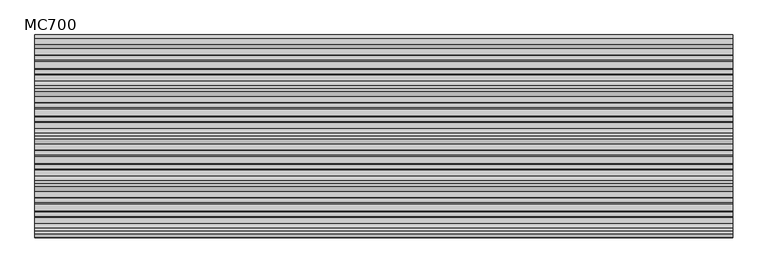
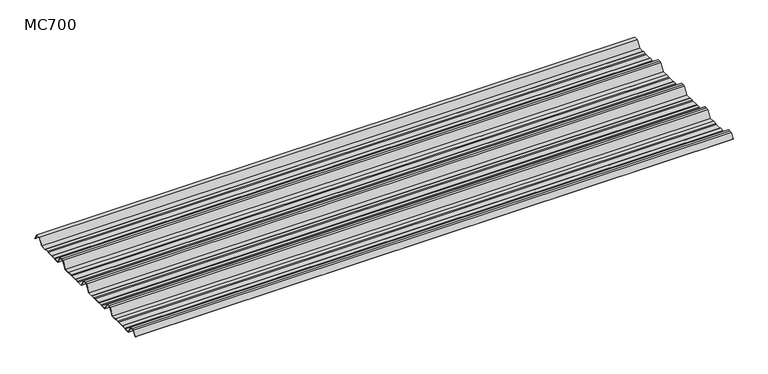
"""IFC4 building model written with IfcOpenShell, lengths in millimetres: beam geometry, MC700."""

from ifc_helpers import new_model, si_unit, point, frame, frame_2d, origin, place, context, project, spatial, polyline, circle_curve, trimmed, segment, composite_curve, outline, extrude, source, transform, mapped, element, save


def mc700_3fb9b117(model_context):
    return source(origin(), model_context, "Body", "SweptSolid", [
        extrude(outline(composite_curve([segment(polyline([(-279.7790109, -25.7896475), (-284.1593286, -23.7494212), (-300.5873198, -23.7494212), (-303.802364, -25.7896475), (-326.5000016, -25.7896475), (-344.5745116, 5.2103525), (-355.0, 5.2103525), (-365.4254884, 5.2103525), (-383.4999984, -25.7896475), (-406.197636, -25.7896475), (-409.4126802, -23.7494212), (-425.8406714, -23.7494212), (-430.2209891, -25.7896475), (-457.2790109, -25.7896475), (-461.6593286, -23.7494212), (-478.0873198, -23.7494212), (-481.302364, -25.7896475), (-504.0000016, -25.7896475), (-522.0745116, 5.2103525), (-532.5, 5.2103525), (-542.9254884, 5.2103525), (-560.9999984, -25.7896475), (-583.697636, -25.7896475), (-586.9126802, -23.7494212), (-603.3406714, -23.7494212), (-607.7209891, -25.7896475), (-634.7790109, -25.7896475), (-639.1593286, -23.7494212), (-655.5873198, -23.7494212), (-658.802364, -25.7896475), (-681.5000016, -25.7896475), (-699.5745116, 5.2103525), (-710.0, 5.2103525), (-720.4254884, 5.2103525), (-732.728303, -15.8904825)]), True, "CONTINUOUS"), segment(trimmed(circle_curve(frame_2d((-733.160246, -15.6386387)), 0.5), [point((-732.728303, -15.8904825))], [point((-733.5921889, -15.3867949))], False, "CARTESIAN"), True, "CONTINUOUS"), segment(polyline([(-733.5921889, -15.3867949), (-721.0, 6.2103525), (-710.0, 6.2103525), (-699.0, 6.2103525), (-680.92549, -24.7896475), (-659.0928785, -24.7896475), (-655.8778343, -22.7494212), (-638.9378651, -22.7494212), (-634.5575473, -24.7896475), (-607.9424527, -24.7896475), (-603.5621349, -22.7494212), (-586.6221657, -22.7494212), (-583.4071215, -24.7896475), (-561.57451, -24.7896475), (-543.5, 6.2103525), (-532.5, 6.2103525), (-521.5, 6.2103525), (-503.42549, -24.7896475), (-481.5928785, -24.7896475), (-478.3778343, -22.7494212), (-461.4378651, -22.7494212), (-457.0575473, -24.7896475), (-430.4424527, -24.7896475), (-426.0621349, -22.7494212), (-409.1221657, -22.7494212), (-405.9071215, -24.7896475), (-384.07451, -24.7896475), (-366.0, 6.2103525), (-355.0, 6.2103525), (-344.0, 6.2103525), (-325.92549, -24.7896475), (-304.0928785, -24.7896475), (-300.8778343, -22.7494212), (-283.9378651, -22.7494212), (-279.5575473, -24.7896475), (-252.9424527, -24.7896475), (-248.5621349, -22.7494212), (-231.6221657, -22.7494212), (-228.4071215, -24.7896475), (-206.57451, -24.7896475), (-188.5, 6.2103525), (-177.5, 6.2103525), (-166.5, 6.2103525), (-148.42549, -24.7896475), (-126.5928785, -24.7896475), (-123.3778343, -22.7494212), (-106.4378651, -22.7494212), (-102.0575473, -24.7896475), (-75.4424527, -24.7896475), (-71.0621349, -22.7494212), (-54.1221657, -22.7494212), (-50.9071215, -24.7896475), (-26.7593894, -24.7896475), (-9.8509769, 4.2103525), (9.8509769, 4.2103525), (24.2964926, -20.5654776)]), True, "CONTINUOUS"), segment(trimmed(circle_curve(frame_2d((23.8645497, -20.8173214)), 0.5), [point((24.2964926, -20.5654776))], [point((23.4326067, -21.0691651))], False, "CARTESIAN"), True, "CONTINUOUS"), segment(polyline([(23.4326067, -21.0691651), (9.2764653, 3.2103525), (-9.2764653, 3.2103525), (-26.1848779, -25.7896475), (-51.197636, -25.7896475), (-54.4126802, -23.7494212), (-70.8406714, -23.7494212), (-75.2209891, -25.7896475), (-102.2790109, -25.7896475), (-106.6593286, -23.7494212), (-123.0873198, -23.7494212), (-126.302364, -25.7896475), (-149.0000016, -25.7896475), (-167.0745116, 5.2103525), (-177.5, 5.2103525), (-187.9254884, 5.2103525), (-205.9999984, -25.7896475), (-228.697636, -25.7896475), (-231.9126802, -23.7494212), (-248.3406714, -23.7494212), (-252.7209891, -25.7896475), (-279.7790109, -25.7896475)]), True, "CONTINUOUS")], self_intersect=False)), frame((-1305.1012987, 0.0, 0.0), z_axis=(1.0, 0.0, 0.0), x_axis=(0.0, 1.0, 0.0)), (0.0, 0.0, 1.0), 2610.2025973),
    ])


if __name__ == "__main__":
    model = new_model("IFC4")
    model_context = context("Model", 3, world=origin())
    ifc_project = project(units=[si_unit("LENGTHUNIT", "METRE", prefix="MILLI")], contexts=[model_context])
    site = spatial("IfcSite", under=ifc_project)
    building = spatial("IfcBuilding", under=site)
    placement = place(None, origin())
    mc700_shape = mc700_3fb9b117(model_context)
    element("IfcBeam", 1, ObjectType="MC700", at=placement, inside=building, context=model_context, shape_type="MappedRepresentation", body=[
        mapped(mc700_shape, transform((0.0, 0.0, 0.0), x_axis=(1.0, 0.0, 0.0), y_axis=(0.0, 1.0, 0.0), z_axis=(0.0, 0.0, 1.0))),
    ])
    save(model, "model.ifc")
